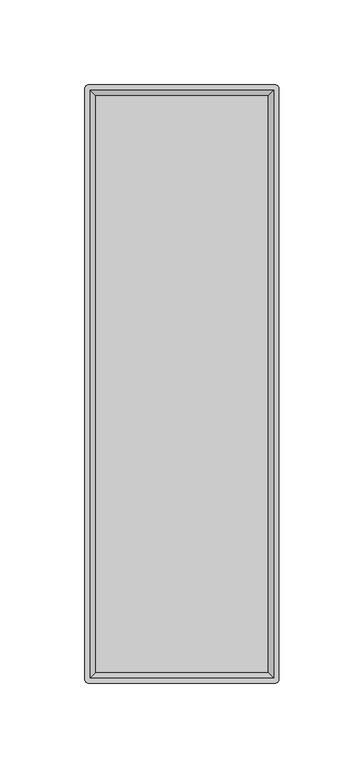
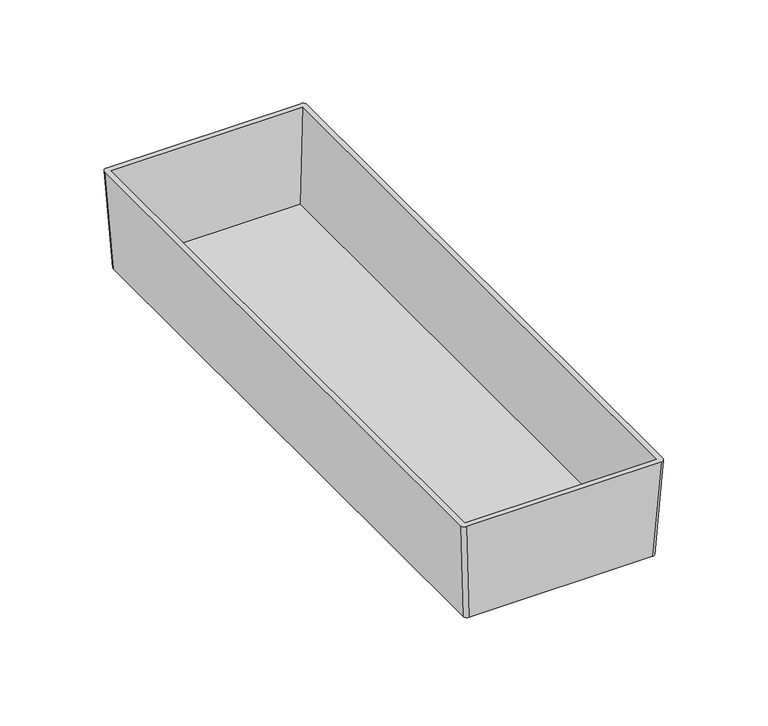
"""IFC4 building model written with IfcOpenShell, lengths in millimetres: furniture geometry."""

from ifc_helpers import new_model, si_unit, point, frame, origin, place, context, project, spatial, circle_curve, trimmed, source, transform, mapped, element, save
from ifc_brep_helpers import plane_surface, extruded_surface, advanced_brep


def furniture_546afccd(model_context):
    return source(origin(), model_context, "Body", "AdvancedBrep", [
        advanced_brep(
        [(51.7525, 173.0375, -57.15), (53.975, 170.815, -57.15), (53.975, -170.815, -57.15), (51.7525, -173.0375, -57.15), (-51.7525, -173.0375, -57.15), (-53.975, -170.815, -57.15), (-53.975, 170.815, -57.15), (-51.7525, 173.0375, -57.15), (54.9275, 176.2125, 0.0), (-54.9275, 176.2125, 0.0), (-57.15, 173.99, 0.0), (-57.15, -173.99, 0.0), (-54.9275, -176.2125, 0.0), (54.9275, -176.2125, 0.0), (57.15, -173.99, 0.0), (57.15, 173.99, 0.0), (-53.975, 173.0375, 0.0), (53.975, 173.0375, 0.0), (53.975, -173.0375, 0.0), (-53.975, -173.0375, 0.0), (50.8, 169.8625, -54.61), (-50.8, 169.8625, -54.61), (-50.8, -169.8625, -54.61), (50.8, -169.8625, -54.61)],
        [
            (0, 1, circle_curve(frame((51.7525, 170.815, -57.15), z_axis=(0.0, 0.0, -1.0), x_axis=(-1.0, 0.0, 0.0)), 2.2225)),
            (1, 2),
            (2, 3, circle_curve(frame((51.7525, -170.815, -57.15), z_axis=(0.0, 0.0, -1.0), x_axis=(-1.0, 0.0, 0.0)), 2.2225)),
            (3, 4),
            (4, 5, circle_curve(frame((-51.7525, -170.815, -57.15), z_axis=(0.0, 0.0, -1.0), x_axis=(-1.0, 0.0, 0.0)), 2.2225)),
            (5, 6),
            (6, 7, circle_curve(frame((-51.7525, 170.815, -57.15), z_axis=(0.0, 0.0, -1.0), x_axis=(-1.0, 0.0, 0.0)), 2.2225)),
            (7, 0),
            (8, 9),
            (9, 10, circle_curve(frame((-54.9275, 173.99, 0.0), z_axis=(0.0, 0.0, 1.0), x_axis=(-1.0, 0.0, 0.0)), 2.2225)),
            (10, 11),
            (11, 12, circle_curve(frame((-54.9275, -173.99, 0.0), z_axis=(0.0, 0.0, 1.0), x_axis=(-1.0, 0.0, 0.0)), 2.2225)),
            (12, 13),
            (13, 14, circle_curve(frame((54.9275, -173.99, 0.0), z_axis=(0.0, 0.0, 1.0), x_axis=(-1.0, 0.0, 0.0)), 2.2225)),
            (14, 15),
            (15, 8, circle_curve(frame((54.9275, 173.99, 0.0), z_axis=(0.0, 0.0, 1.0), x_axis=(-1.0, 0.0, 0.0)), 2.2225)),
            (16, 17),
            (17, 18),
            (18, 19),
            (19, 16),
            (7, 9),
            (8, 0),
            (6, 10),
            (5, 11),
            (4, 12),
            (3, 13),
            (2, 14),
            (1, 15),
            (20, 21),
            (21, 22),
            (22, 23),
            (23, 20),
            (20, 17),
            (16, 21),
            (19, 22),
            (18, 23),
        ],
        [
            plane_surface(frame((0.0, 0.0, -57.15), z_axis=(0.0, 0.0, -1.0), x_axis=(-1.0, 0.0, 0.0))),
            plane_surface(frame((0.0, 0.0, 0.0), z_axis=(0.0, 0.0, 1.0), x_axis=(-1.0, 0.0, 0.0))),
            plane_surface(frame((0.0, 176.2125, 0.0), z_axis=(0.0, 0.9984603532054104, -0.05547001962256064), x_axis=(1.0, 0.0, 0.0))),
            extruded_surface(trimmed(circle_curve(frame((-54.9275, 173.99, 0.0), z_axis=(0.0, 0.0, -1.0), x_axis=(-1.0, 0.0, 0.0)), 2.2225), [point((-57.15, 173.99, 0.0))], [point((-54.9275, 176.2125, 0.0))], True, "CARTESIAN"), (3.1750000000000043, -3.1750000000000114, -57.15), 57.32611752072523),
            plane_surface(frame((-57.15, 0.0, 0.0), z_axis=(-0.998460353205411, 0.0, -0.055470019622547946), x_axis=(0.0, 1.0, 0.0))),
            extruded_surface(trimmed(circle_curve(frame((-54.9275, -173.99, 0.0), z_axis=(0.0, 0.0, -1.0), x_axis=(-1.0, 0.0, 0.0)), 2.2225), [point((-54.9275, -176.2125, 0.0))], [point((-57.15, -173.99, 0.0))], True, "CARTESIAN"), (3.1750000000000043, 3.1750000000000114, -57.15), 57.32611752072523),
            plane_surface(frame((0.0, -176.2125, 0.0), z_axis=(0.0, -0.9984603532055267, -0.05547001962046713), x_axis=(-1.0, 0.0, 0.0))),
            extruded_surface(trimmed(circle_curve(frame((54.9275, -173.99, 0.0), z_axis=(0.0, 0.0, -1.0), x_axis=(-1.0, 0.0, 0.0)), 2.2225), [point((57.15, -173.99, 0.0))], [point((54.9275, -176.2125, 0.0))], True, "CARTESIAN"), (-3.1750000000000043, 3.1750000000000114, -57.15), 57.32611752072523),
            plane_surface(frame((57.15, 0.0, 0.0), z_axis=(0.998460353205429, 0.0, -0.05547001962222528), x_axis=(0.0, -1.0, 0.0))),
            extruded_surface(trimmed(circle_curve(frame((54.9275, 173.99, 0.0), z_axis=(0.0, 0.0, -1.0), x_axis=(-1.0, 0.0, 0.0)), 2.2225), [point((54.9275, 176.2125, 0.0))], [point((57.15, 173.99, 0.0))], True, "CARTESIAN"), (-3.1750000000000043, -3.1750000000000114, -57.15), 57.32611752072523),
            plane_surface(frame((0.0, 0.0, -54.61), z_axis=(0.0, 0.0, 1.0), x_axis=(-1.0, 0.0, 0.0))),
            plane_surface(frame((0.0, 173.0375, 0.0), z_axis=(0.0, -0.9983141698791151, 0.05804152150463695), x_axis=(1.0, 0.0, 0.0))),
            plane_surface(frame((-53.975, 0.0, 0.0), z_axis=(0.9983141698791161, 0.0, 0.05804152150461967), x_axis=(0.0, 1.0, 0.0))),
            plane_surface(frame((0.0, -173.0375, 0.0), z_axis=(0.0, 0.9983141698789251, 0.0580415215079058), x_axis=(-1.0, 0.0, 0.0))),
            plane_surface(frame((53.975, 0.0, 0.0), z_axis=(-0.998314169879097, 0.0, 0.058041521504948165), x_axis=(0.0, -1.0, 0.0))),
        ],
        [
            (0, [[1, 2, 3, 4, 5, 6, 7, 8]]),
            (1, [[9, 10, 11, 12, 13, 14, 15, 16], [17, 18, 19, 20]]),
            (2, [[-8, 21, -9, 22]]),
            (3, [[-7, 23, -10, -21]]),
            (4, [[-6, 24, -11, -23]]),
            (5, [[-5, 25, -12, -24]]),
            (6, [[-4, 26, -13, -25]]),
            (7, [[-3, 27, -14, -26]]),
            (8, [[-2, 28, -15, -27]]),
            (9, [[-1, -22, -16, -28]]),
            (10, [[29, 30, 31, 32]]),
            (11, [[-29, 33, -17, 34]]),
            (12, [[-30, -34, -20, 35]]),
            (13, [[-31, -35, -19, 36]]),
            (14, [[-32, -36, -18, -33]]),
        ],
    ),
    ])


if __name__ == "__main__":
    model = new_model("IFC4")
    model_context = context("Model", 3, world=origin())
    ifc_project = project(units=[si_unit("LENGTHUNIT", "METRE", prefix="MILLI")], contexts=[model_context])
    site = spatial("IfcSite", under=ifc_project)
    building = spatial("IfcBuilding", under=site)
    placement = place(None, origin())
    furniture_shape = furniture_546afccd(model_context)
    element("IfcFurniture", 1, at=placement, inside=building, context=model_context, shape_type="MappedRepresentation", body=[
        mapped(furniture_shape, transform((0.0, 0.0, 0.0), x_axis=(1.0, 0.0, 0.0), y_axis=(0.0, 1.0, 0.0), z_axis=(0.0, 0.0, 1.0))),
    ])
    save(model, "model.ifc")
